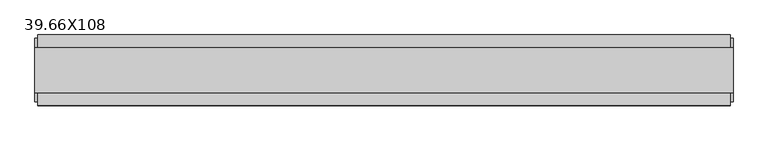
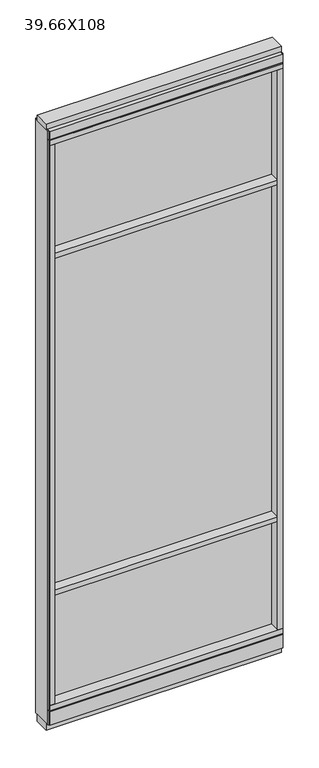
"""IFC4 building model written with IfcOpenShell, lengths in millimetres: furniture geometry, 39.66X108."""

from ifc_helpers import new_model, si_unit, frame, origin, origin_with_axes, place, context, project, spatial, polyline, outline, extrude, source, transform, mapped, element, save


def furniture_39_66x108_02c4a040(model_context):
    return source(origin(), model_context, "Body", "SweptSolid", [
        extrude(outline(polyline([(-537.5565229, 0.5622784), (417.4834771, 0.5622784), (417.4834771, -9.5977216), (-537.5565229, -9.5977216), (-537.5565229, 0.5622784)])), frame((0.0, 0.0, 2155.825), z_axis=(0.0, 0.0, 1.0), x_axis=(1.0, 0.0, 0.0)), (0.0, 0.0, 1.0), 498.475),
        extrude(outline(polyline([(-537.5565229, 0.5622784), (417.4834771, 0.5622784), (417.4834771, -9.5977216), (-537.5565229, -9.5977216), (-537.5565229, 0.5622784)])), frame((0.0, 0.0, 631.825), z_axis=(0.0, 0.0, 1.0), x_axis=(1.0, 0.0, 0.0)), (0.0, 0.0, 1.0), 1501.775),
        extrude(outline(polyline([(-537.5565229, -52.3332216), (-537.5565229, 43.2977784), (417.4834771, 43.2977784), (417.4834771, -52.3332216), (-537.5565229, -52.3332216)])), frame((0.0, 0.0, 2133.6), z_axis=(0.0, 0.0, 1.0), x_axis=(1.0, 0.0, 0.0)), (0.0, 0.0, 1.0), 22.225),
        extrude(outline(polyline([(-537.5565229, -52.3332216), (-537.5565229, 43.2977784), (417.4834771, 43.2977784), (417.4834771, -52.3332216), (-537.5565229, -52.3332216)])), frame((0.0, 0.0, 609.6), z_axis=(0.0, 0.0, 1.0), x_axis=(1.0, 0.0, 0.0)), (0.0, 0.0, 1.0), 22.225),
        extrude(outline(polyline([(417.4834771, -9.5977216), (-537.5565229, -9.5977216), (-537.5565229, 0.5622784), (417.4834771, 0.5622784), (417.4834771, -9.5977216)])), frame((0.0, 0.0, 120.523), z_axis=(0.0, 0.0, 1.0), x_axis=(1.0, 0.0, 0.0)), (0.0, 0.0, 1.0), 489.077),
        extrude(outline(polyline([(-55.3177216, 93.345), (-50.3647216, 93.345), (-50.3647216, 98.298), (41.3292784, 98.298), (41.3292784, 93.345), (46.2822784, 93.345), (46.2822784, 31.75), (-55.3177216, 31.75), (-55.3177216, 93.345)])), frame((-559.7815229, 0.0, 0.0), z_axis=(1.0, 0.0, 0.0), x_axis=(0.0, 1.0, 0.0)), (0.0, 0.0, 1.0), 999.49),
        extrude(outline(polyline([(-559.7815229, -55.3177216), (-559.7815229, 46.2822784), (439.7084771, 46.2822784), (439.7084771, -55.3177216), (-559.7815229, -55.3177216)])), frame((0.0, 0.0, 98.298), z_axis=(0.0, 0.0, 1.0), x_axis=(1.0, 0.0, 0.0)), (0.0, 0.0, 1.0), 22.225),
        extrude(outline(polyline([(443.6454771, 27.9942784), (443.6454771, -37.0297216), (-563.7185229, -37.0297216), (-563.7185229, 27.9942784), (443.6454771, 27.9942784)])), origin_with_axes(), (0.0, 0.0, 1.0), 31.75),
        extrude(outline(polyline([(-563.7185229, -37.0297216), (-563.7185229, 27.9942784), (443.6454771, 27.9942784), (443.6454771, -37.0297216), (-563.7185229, -37.0297216)])), frame((0.0, 0.0, 2717.8), z_axis=(0.0, 0.0, 1.0), x_axis=(1.0, 0.0, 0.0)), (0.0, 0.0, 1.0), 25.4),
        extrude(outline(polyline([(-55.3177216, 2681.478), (-55.3177216, 2717.8), (46.2822784, 2717.8), (46.2822784, 2681.478), (41.3292784, 2681.478), (41.3292784, 2676.525), (-50.3647216, 2676.525), (-50.3647216, 2681.478), (-55.3177216, 2681.478)])), frame((-559.7815229, 0.0, 0.0), z_axis=(1.0, 0.0, 0.0), x_axis=(0.0, 1.0, 0.0)), (0.0, 0.0, 1.0), 999.49),
        extrude(outline(polyline([(439.7084771, 46.2822784), (439.7084771, -55.3177216), (-559.7815229, -55.3177216), (-559.7815229, 46.2822784), (439.7084771, 46.2822784)])), frame((0.0, 0.0, 2654.3), z_axis=(0.0, 0.0, 1.0), x_axis=(1.0, 0.0, 0.0)), (0.0, 0.0, 1.0), 22.225),
        extrude(outline(polyline([(417.4834771, -55.3177216), (417.4834771, 46.2822784), (439.7084771, 46.2822784), (439.7084771, -55.3177216), (417.4834771, -55.3177216)])), frame((0.0, 0.0, 120.523), z_axis=(0.0, 0.0, 1.0), x_axis=(1.0, 0.0, 0.0)), (0.0, 0.0, 1.0), 2533.777),
        extrude(outline(polyline([(-537.5565229, -55.3177216), (-559.7815229, -55.3177216), (-559.7815229, 46.2822784), (-537.5565229, 46.2822784), (-537.5565229, -55.3177216)])), frame((0.0, 0.0, 120.523), z_axis=(0.0, 0.0, 1.0), x_axis=(1.0, 0.0, 0.0)), (0.0, 0.0, 1.0), 2533.777),
        extrude(outline(polyline([(443.6454771, -50.3647216), (439.7084771, -50.3647216), (439.7084771, 41.3292784), (443.6454771, 41.3292784), (443.6454771, -50.3647216)])), frame((0.0, 0.0, 31.75), z_axis=(0.0, 0.0, 1.0), x_axis=(1.0, 0.0, 0.0)), (0.0, 0.0, 1.0), 2686.05),
        extrude(outline(polyline([(-563.7185229, -50.3647216), (-563.7185229, 41.3292784), (-559.7815229, 41.3292784), (-559.7815229, -50.3647216), (-563.7185229, -50.3647216)])), frame((0.0, 0.0, 31.75), z_axis=(0.0, 0.0, 1.0), x_axis=(1.0, 0.0, 0.0)), (0.0, 0.0, 1.0), 2686.05),
    ])


if __name__ == "__main__":
    model = new_model("IFC4")
    model_context = context("Model", 3, world=origin())
    ifc_project = project(units=[si_unit("LENGTHUNIT", "METRE", prefix="MILLI")], contexts=[model_context])
    site = spatial("IfcSite", under=ifc_project)
    building = spatial("IfcBuilding", under=site)
    placement = place(None, origin())
    furniture_39_66x108_shape = furniture_39_66x108_02c4a040(model_context)
    element("IfcFurniture", 1, ObjectType="39.66X108", at=placement, inside=building, context=model_context, shape_type="MappedRepresentation", body=[
        mapped(furniture_39_66x108_shape, transform((0.0, 0.0, 0.0), x_axis=(1.0, 0.0, 0.0), y_axis=(0.0, 1.0, 0.0), z_axis=(0.0, 0.0, 1.0))),
    ])
    save(model, "model.ifc")
